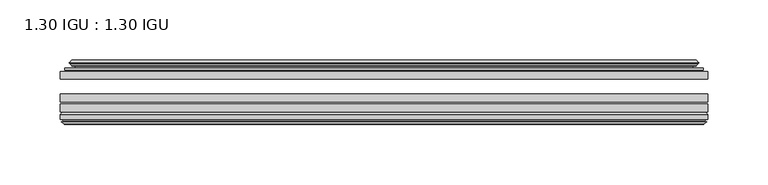
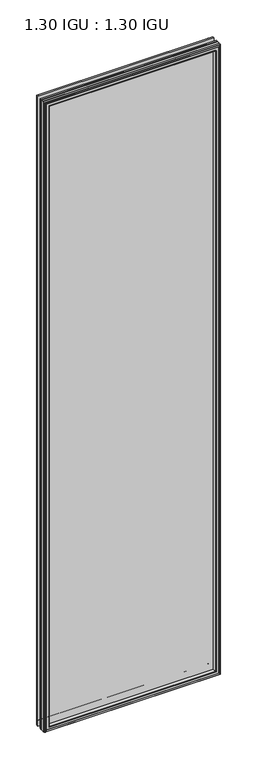
"""IFC4 building model written with IfcOpenShell, lengths in millimetres: plate geometry, 1.30 IGU : 1.30 IGU."""

import ifcopenshell
import ifcopenshell.guid

model = None  # the IFC model being written
_history = None  # IfcOwnerHistory: only IFC2X3 demands one
_inside = {}  # id of a spatial element -> (the spatial element, [elements in it])
_under = {}  # id of a project, library or spatial element -> (it, [spatial elements below it])
_declared = {}  # id of a project -> (the project, [libraries it declares])
_typed = {}  # id of a type object -> (the type object, [elements of that type])
_made_of = {}  # id of a material, layer set ... -> (it, [elements and type objects made of it])


def new_model(schema):
    """Start an empty IFC model of exactly this schema.

    Asked for "IFC4X3", IfcOpenShell would pick the latest addendum, in which some entities
    have other attributes; the version numbers below select the first issue.
    IFC2X3 requires an IfcOwnerHistory on every rooted entity: one is made here for all.
    """
    global model, _history
    if schema == "IFC4X3":
        model = ifcopenshell.file(schema_version=(4, 3, 0, 0))
    else:
        model = ifcopenshell.file(schema=schema)
    _inside.clear()
    _under.clear()
    _declared.clear()
    _typed.clear()
    _made_of.clear()
    _history = None
    if model.schema == "IFC2X3":
        org = make("IfcOrganization", Name="unknown")
        user = make(
            "IfcPersonAndOrganization",
            ThePerson=make("IfcPerson", FamilyName="unknown"),
            TheOrganization=org,
        )
        app = make(
            "IfcApplication",
            ApplicationDeveloper=org,
            Version="unknown",
            ApplicationFullName="unknown",
            ApplicationIdentifier="unknown",
        )
        _history = make(
            "IfcOwnerHistory",
            OwningUser=user,
            OwningApplication=app,
            ChangeAction="ADDED",
            CreationDate=0,
        )
    return model


def make(cls, **values):
    """One entity of the class cls with the attributes given. An attribute that is None is left unset."""
    return model.create_entity(
        cls, **{name: value for name, value in values.items() if value is not None}
    )


def rooted(cls, **values):
    """An entity with a GlobalId (a new one), such as an element, a storey or a relation."""
    return make(cls, GlobalId=ifcopenshell.guid.new(), OwnerHistory=_history, **values)


def si_unit(unit_type, name, prefix=None):
    """IfcSIUnit, for example si_unit("LENGTHUNIT", "METRE", prefix="MILLI")."""
    return make("IfcSIUnit", UnitType=unit_type, Prefix=prefix, Name=name)


def assignment(units):
    """IfcUnitAssignment: the units of a project."""
    return None if units is None else make("IfcUnitAssignment", Units=units)


def point(xyz):
    """IfcCartesianPoint."""
    return None if xyz is None else make("IfcCartesianPoint", Coordinates=xyz)


def direction(xyz):
    """IfcDirection."""
    return None if xyz is None else make("IfcDirection", DirectionRatios=xyz)


def frame(location, z_axis=None, x_axis=None):
    """IfcAxis2Placement3D, a coordinate frame: its origin and axes. An axis left out is left unset."""
    return make(
        "IfcAxis2Placement3D",
        Location=point(location),
        Axis=direction(z_axis),
        RefDirection=direction(x_axis),
    )


def origin():
    """The frame at (0, 0, 0) with its axes left unset."""
    return frame((0.0, 0.0, 0.0))


def place(relative_to, where):
    """IfcLocalPlacement: puts the frame where relative to a parent placement (None: the world)."""
    return make(
        "IfcLocalPlacement", PlacementRelTo=relative_to, RelativePlacement=where
    )


def context(
    kind, dimensions, precision=None, world=None, true_north=None, identifier=None
):
    """IfcGeometricRepresentationContext, for example the 3D "Model" context."""
    return make(
        "IfcGeometricRepresentationContext",
        ContextIdentifier=identifier,
        ContextType=kind,
        CoordinateSpaceDimension=dimensions,
        Precision=precision,
        WorldCoordinateSystem=world,
        TrueNorth=true_north,
    )


def project(units=None, contexts=None):
    """IfcProject with its units and contexts."""
    return rooted(
        "IfcProject",
        Name="project",
        RepresentationContexts=contexts,
        UnitsInContext=assignment(units),
    )


def spatial(cls, under=None, at=None, **own):
    """A site, building, storey or space (cls), placed at a placement, below another one or the project."""
    s = rooted(cls, ObjectPlacement=at, **own)
    if under is not None:
        _under.setdefault(under.id(), (under, []))[1].append(s)
    return s


def polyline(points):
    """IfcPolyline through the points."""
    return make("IfcPolyline", Points=[point(p) for p in points])


def ellipse_curve(where, semi_axis1, semi_axis2):
    """IfcEllipse in the frame where."""
    return make(
        "IfcEllipse", Position=where, SemiAxis1=semi_axis1, SemiAxis2=semi_axis2
    )


def outline(outer, holes=None, kind="AREA"):
    """IfcArbitraryClosedProfileDef: a profile drawn as a closed curve; with holes, ...WithVoids."""
    if holes is None:
        return make("IfcArbitraryClosedProfileDef", ProfileType=kind, OuterCurve=outer)
    return make(
        "IfcArbitraryProfileDefWithVoids",
        ProfileType=kind,
        OuterCurve=outer,
        InnerCurves=holes,
    )


def extrude(swept, where, along, depth):
    """IfcExtrudedAreaSolid: the profile swept, set in the frame where, extruded along a direction by depth."""
    return make(
        "IfcExtrudedAreaSolid",
        SweptArea=swept,
        Position=where,
        ExtrudedDirection=direction(along),
        Depth=depth,
    )


def faces_of(points, faces, orient=None, outer=None):
    """IfcFace entities. A face is a list of loops; a loop is a list of indices into points, from 0.

    orient and outer hold one flag for each loop. By default every Orientation is true, the
    first loop of a face is its IfcFaceOuterBound and the others are IfcFaceBound.
    """
    made = []
    for i, loops in enumerate(faces):
        bounds = []
        for j, loop in enumerate(loops):
            is_outer = j == 0 if outer is None else outer[i][j]
            bounds.append(
                make(
                    "IfcFaceOuterBound" if is_outer else "IfcFaceBound",
                    Bound=make("IfcPolyLoop", Polygon=[points[k] for k in loop]),
                    Orientation=True if orient is None else orient[i][j],
                )
            )
        made.append(make("IfcFace", Bounds=bounds))
    return made


def faceted_brep(points, faces, orient=None, outer=None, voids=None):
    """IfcFacetedBrep: a solid bounded by flat faces; with voids (closed shells), ...WithVoids."""
    shared = [point(p) for p in points]
    hull = make("IfcClosedShell", CfsFaces=faces_of(shared, faces, orient, outer))
    if voids is None:
        return make("IfcFacetedBrep", Outer=hull)
    return make(
        "IfcFacetedBrepWithVoids",
        Outer=hull,
        Voids=[
            make(cls, CfsFaces=faces_of(shared, fs, o, b)) for cls, fs, o, b in voids
        ],
    )


def shape(context_of_items, identifier, shape_type, items):
    """IfcShapeRepresentation: the items that make up one representation, for example the "Body"."""
    return make(
        "IfcShapeRepresentation",
        ContextOfItems=context_of_items,
        RepresentationIdentifier=identifier,
        RepresentationType=shape_type,
        Items=items,
    )


def source(mapping_origin, context_of_items, identifier, shape_type, items):
    """IfcRepresentationMap: a shape defined once, which mapped items show again and again."""
    return make(
        "IfcRepresentationMap",
        MappingOrigin=mapping_origin,
        MappedRepresentation=shape(context_of_items, identifier, shape_type, items),
    )


def transform(
    local_origin,
    x_axis=None,
    y_axis=None,
    z_axis=None,
    scale=None,
    scale2=None,
    scale3=None,
    uniform=True,
):
    """IfcCartesianTransformationOperator3D, or its non-uniform kind. x_axis, y_axis, z_axis: its Axis1, 2, 3."""
    if uniform:
        return make(
            "IfcCartesianTransformationOperator3D",
            Axis1=direction(x_axis),
            Axis2=direction(y_axis),
            LocalOrigin=point(local_origin),
            Scale=scale,
            Axis3=direction(z_axis),
        )
    return make(
        "IfcCartesianTransformationOperator3DnonUniform",
        Axis1=direction(x_axis),
        Axis2=direction(y_axis),
        LocalOrigin=point(local_origin),
        Scale=scale,
        Axis3=direction(z_axis),
        Scale2=scale2,
        Scale3=scale3,
    )


def mapped(mapping_source, mapping_target):
    """IfcMappedItem: shows the shape of a source again, moved by a transform."""
    return make(
        "IfcMappedItem", MappingSource=mapping_source, MappingTarget=mapping_target
    )


def made_of(thing, what):
    """Note that an element or type object is made of a material, layer set ...; save() writes the relation."""
    if what is not None:
        _made_of.setdefault(what.id(), (what, []))[1].append(thing)
    return thing


def element(
    cls,
    number,
    at=None,
    inside=None,
    cuts=None,
    type_object=None,
    material=None,
    context=None,
    identifier="Body",
    shape_type=None,
    held_by="IfcProductDefinitionShape",
    body=None,
    shapes=None,
    **own,
):
    """One element of the class cls, such as IfcWall. Its Tag is "e" and its number.

    at: its placement. inside: the storey or other place that contains it. cuts: it is an
    opening in that element (IfcRelVoidsElement). A single representation is given by context,
    identifier, shape_type and body (its items); several are given by shapes. held_by: the class
    of the entity that holds the representations. save() writes the other relations.
    """
    e = rooted(cls, Tag="e%d" % number, ObjectPlacement=at, **own)
    if body is not None:
        shapes = [shape(context, identifier, shape_type, body)]
    if shapes is not None:
        e.Representation = make(held_by, Representations=shapes)
    if inside is not None:
        _inside.setdefault(inside.id(), (inside, []))[1].append(e)
    if cuts is not None:
        rooted(
            "IfcRelVoidsElement", RelatingBuildingElement=cuts, RelatedOpeningElement=e
        )
    if type_object is not None:
        _typed.setdefault(type_object.id(), (type_object, []))[1].append(e)
    return made_of(e, material)


def aggregate(whole, parts):
    """IfcRelAggregates: a whole, such as a stair, and the parts it consists of."""
    return rooted("IfcRelAggregates", RelatingObject=whole, RelatedObjects=parts)


def save(model, path):
    """Write the relations noted so far, then the file.

    IfcRelAggregates (storeys below a building ...), IfcRelContainedInSpatialStructure (elements
    in a storey), IfcRelDefinesByType, IfcRelAssociatesMaterial and IfcRelDeclares: one each for
    every whole, place, type object, material and project.
    """
    for whole, parts in _under.values():
        aggregate(whole, parts)
    for where, things in _inside.values():
        rooted(
            "IfcRelContainedInSpatialStructure",
            RelatedElements=things,
            RelatingStructure=where,
        )
    for kind, things in _typed.values():
        rooted("IfcRelDefinesByType", RelatedObjects=things, RelatingType=kind)
    for what, things in _made_of.values():
        rooted("IfcRelAssociatesMaterial", RelatedObjects=things, RelatingMaterial=what)
    for by, libraries in _declared.values():
        rooted("IfcRelDeclares", RelatingContext=by, RelatedDefinitions=libraries)
    model.write(path)


def plane_surface(at):
    """IfcPlane: the flat surface through the origin of the frame at, square to its z axis."""
    return make("IfcPlane", Position=at)


def cylinder_surface(at, radius):
    """IfcCylindricalSurface: all points at the distance radius from the z axis of the frame at."""
    return make("IfcCylindricalSurface", Position=at, Radius=radius)


def revolved_surface(curve, axis_point, axis_direction):
    """IfcSurfaceOfRevolution: the curve turned about the line through axis_point along axis_direction."""
    return make(
        "IfcSurfaceOfRevolution",
        SweptCurve=make("IfcArbitraryOpenProfileDef", ProfileType="CURVE", Curve=curve),
        AxisPosition=make("IfcAxis1Placement", Location=point(axis_point), Axis=direction(axis_direction)),
    )


def advanced_brep(points, edges, surfaces, faces):
    """IfcAdvancedBrep: a solid bounded by faces that lie on surfaces and meet in shared edges.

    An edge is (start, end): straight between two places in points (the first is 0);
    or (start, end, curve); or (start, end, curve, False) where it runs against its curve.
    A face is (place in surfaces, loops), or (place, loops, False) where it looks against
    its surface's normal. A loop lists edges by number (the first is 1), with a minus sign
    where the edge is run from its end to its start. The first loop is the outer one.
    """
    corners = [point(p) for p in points]
    vertices = [make("IfcVertexPoint", VertexGeometry=c) for c in corners]
    made = []
    for start, end, *more in edges:
        made.append(
            make(
                "IfcEdgeCurve",
                EdgeStart=vertices[start],
                EdgeEnd=vertices[end],
                EdgeGeometry=more[0] if more else make("IfcPolyline", Points=[corners[start], corners[end]]),
                SameSense=more[1] if len(more) > 1 else True,
            )
        )
    hull = []
    for where, loops, *sense in faces:
        bounds = []
        for j, loop in enumerate(loops):
            ring = [make("IfcOrientedEdge", EdgeElement=made[abs(k) - 1], Orientation=k > 0) for k in loop]
            bounds.append(
                make(
                    "IfcFaceOuterBound" if j == 0 else "IfcFaceBound",
                    Bound=make("IfcEdgeLoop", EdgeList=ring),
                    Orientation=True,
                )
            )
        hull.append(make("IfcAdvancedFace", Bounds=bounds, FaceSurface=surfaces[where], SameSense=sense[0] if sense else True))
    return make("IfcAdvancedBrep", Outer=make("IfcClosedShell", CfsFaces=hull))


def plate_1_30_igu_1_30_igu_0a05ff99(model_context):
    return source(origin(), model_context, "Body", "SolidModel", [
        extrude(outline(polyline([(268.2205532, -44.92625), (268.2205532, -51.27625), (-268.2875, -51.27625), (-268.2875, -44.92625), (268.2205532, -44.92625)])), frame((0.0, 0.0, -14.2875), z_axis=(0.0, 0.0, 1.0), x_axis=(1.0, 0.0, 0.0)), (0.0, 0.0, 1.0), 2025.65),
        extrude(outline(polyline([(-268.2875, -78.58125), (-268.2875, -72.23125), (268.2205532, -72.23125), (268.2205532, -78.58125), (-268.2875, -78.58125)])), frame((0.0, 0.0, -14.2875), z_axis=(0.0, 0.0, 1.0), x_axis=(1.0, 0.0, 0.0)), (0.0, 0.0, 1.0), 2025.65),
        extrude(outline(polyline([(-268.2875, -70.32625), (-268.2875, -63.97625), (268.2205532, -63.97625), (268.2205532, -70.32625), (-268.2875, -70.32625)])), frame((0.0, 0.0, -14.2875), z_axis=(0.0, 0.0, 1.0), x_axis=(1.0, 0.0, 0.0)), (0.0, 0.0, 1.0), 2025.65),
        advanced_brep(
        [(-249.9522902, -43.8351483, 1993.0272902), (-250.3941004, -44.92625, 1993.4691004), (-250.3941004, -44.92625, 3.6058996), (-249.9522902, -43.8351483, 4.0477098), (-254.0, -36.11245, 1997.075), (-254.0, -36.11245, 0.0), (-259.1859109, -37.2935491, 2002.2609109), (-259.1859109, -37.2935491, -5.1859109), (-258.8563356, -36.4664324, 2001.9313356), (-258.8563356, -36.4664324, -4.8563356), (-258.8563356, -35.6521812, 2001.9313356), (-258.8563356, -35.6521812, -4.8563356), (-260.6726111, -37.610817, 2003.7476111), (-260.6726111, -37.610817, -6.6726111), (-260.6726111, -38.3239429, 2003.7476111), (-260.6726111, -38.3239429, -6.6726111), (-258.8563356, -40.2727974, 2001.9313356), (-258.8563356, -40.2727974, -4.8563356), (-258.8563356, -39.4683275, 2001.9313356), (-258.8563356, -39.4683275, -4.8563356), (-259.1782501, -38.6604367, 2002.2532501), (-259.1782501, -38.6604367, -5.1782501), (-256.6544379, -38.502045, 1999.7294379), (-256.6544379, -38.502045, -2.6544379), (-255.6286217, -39.1897544, 1998.7036217), (-255.6286217, -39.1897544, -1.6286217), (-255.7470288, -40.5842231, 1998.8220288), (-255.7470288, -40.5842231, -1.7470288), (-256.3487748, -42.08145, 1999.4237748), (-256.3487748, -42.08145, -2.3487748), (-264.2745553, -43.9898729, 2007.3495553), (-263.7889245, -42.08145, 2006.8639245), (-263.7889245, -42.08145, -9.7889245), (-264.2745553, -43.9898729, -10.2745553), (-262.5538155, -44.92625, 2005.6288155), (-262.5538155, -44.92625, -8.5538155), (250.3941004, -44.92625, 3.6058996), (249.9522902, -43.8351483, 4.0477098), (254.0, -36.11245, 0.0), (259.1859109, -37.2935491, -5.1859109), (258.8563356, -36.4664324, -4.8563356), (258.8563356, -35.6521812, -4.8563356), (260.6726111, -37.610817, -6.6726111), (260.6726111, -38.3239429, -6.6726111), (258.8563356, -40.2727974, -4.8563356), (258.8563356, -39.4683275, -4.8563356), (259.1782501, -38.6604367, -5.1782501), (256.6544379, -38.502045, -2.6544379), (255.6286217, -39.1897544, -1.6286217), (255.7470288, -40.5842231, -1.7470288), (256.3487748, -42.08145, -2.3487748), (263.7889245, -42.08145, -9.7889245), (264.2745553, -43.9898729, -10.2745553), (262.5538155, -44.92625, -8.5538155), (250.3941004, -44.92625, 1993.4691004), (249.9522902, -43.8351483, 1993.0272902), (254.0, -36.11245, 1997.075), (259.1859109, -37.2935491, 2002.2609109), (258.8563356, -36.4664324, 2001.9313356), (258.8563356, -35.6521812, 2001.9313356), (260.6726111, -37.610817, 2003.7476111), (260.6726111, -38.3239429, 2003.7476111), (258.8563356, -40.2727974, 2001.9313356), (258.8563356, -39.4683275, 2001.9313356), (259.1782501, -38.6604367, 2002.2532501), (256.6544379, -38.502045, 1999.7294379), (255.6286217, -39.1897544, 1998.7036217), (255.7470288, -40.5842231, 1998.8220288), (256.3487748, -42.08145, 1999.4237748), (263.7889245, -42.08145, 2006.8639245), (264.2745553, -43.9898729, 2007.3495553), (262.5538155, -44.92625, 2005.6288155)],
        [
            (0, 1, ellipse_curve(frame((-250.3941004, -44.29125, 1993.4691004), z_axis=(-0.7071067811865475, 0.0, -0.7071067811865475), x_axis=(-0.7071067811865474, 0.0, 0.7071067811865476)), 0.8980256, 0.635)),
            (1, 2),
            (2, 3, ellipse_curve(frame((-250.3941004, -44.29125, 3.6058996), z_axis=(-0.7071067811865475, 0.0, 0.7071067811865475), x_axis=(0.7071067811865474, 0.0, 0.7071067811865476)), 0.8980256, 0.635)),
            (3, 0),
            (4, 0, ellipse_curve(frame((-240.2672054, -33.8367745, 1983.3422054), z_axis=(0.7071067811865475, 0.0, 0.7071067811865475), x_axis=(0.7071067811865474, 0.0, -0.7071067811865476)), 19.6859517, 13.9200699)),
            (3, 5, ellipse_curve(frame((-240.2672054, -33.8367745, 13.7327946), z_axis=(0.7071067811865475, 0.0, -0.7071067811865475), x_axis=(-0.7071067811865474, 0.0, -0.7071067811865476)), 19.6859517, 13.9200699)),
            (5, 4),
            (6, 4),
            (5, 7),
            (7, 6),
            (8, 6),
            (7, 9),
            (9, 8),
            (10, 8),
            (9, 11),
            (11, 10),
            (12, 10),
            (11, 13),
            (13, 12),
            (14, 12, ellipse_curve(frame((-260.3107729, -37.96738, 2003.3857729), z_axis=(-0.7071067811865475, 0.0, -0.7071067811865475), x_axis=(-0.7071067811865474, 0.0, 0.7071067811865476)), 0.7184205, 0.508)),
            (13, 15, ellipse_curve(frame((-260.3107729, -37.96738, -6.3107729), z_axis=(-0.7071067811865475, 0.0, 0.7071067811865475), x_axis=(0.7071067811865474, 0.0, 0.7071067811865476)), 0.7184205, 0.508)),
            (15, 14),
            (16, 14),
            (15, 17),
            (17, 16),
            (18, 16),
            (17, 19),
            (19, 18),
            (20, 18),
            (19, 21),
            (21, 20),
            (22, 20),
            (21, 23),
            (23, 22),
            (24, 22, ellipse_curve(frame((-256.5908, -39.51605, 1999.6658), z_axis=(0.7071067811865475, 0.0, 0.7071067811865475), x_axis=(0.7071067811865474, 0.0, -0.7071067811865476)), 1.436841, 1.016)),
            (23, 25, ellipse_curve(frame((-256.5908, -39.51605, -2.5908), z_axis=(0.7071067811865475, 0.0, -0.7071067811865475), x_axis=(-0.7071067811865474, 0.0, -0.7071067811865476)), 1.436841, 1.016)),
            (25, 24),
            (26, 24, ellipse_curve(frame((-257.9624, -39.69385, 2001.0374), z_axis=(0.7071067811865475, 0.0, 0.7071067811865475), x_axis=(0.7071067811865474, 0.0, -0.7071067811865476)), 3.3765763, 2.3876)),
            (25, 27, ellipse_curve(frame((-257.9624, -39.69385, -3.9624), z_axis=(0.7071067811865475, 0.0, -0.7071067811865475), x_axis=(-0.7071067811865474, 0.0, -0.7071067811865476)), 3.3765763, 2.3876)),
            (27, 26),
            (28, 26),
            (27, 29),
            (29, 28),
            (30, 31, ellipse_curve(frame((-263.7889245, -43.09745, 2006.8639245), z_axis=(-0.7071067811865475, 0.0, -0.7071067811865475), x_axis=(-0.7071067811865474, 0.0, 0.7071067811865476)), 1.436841, 1.016)),
            (31, 32),
            (32, 33, ellipse_curve(frame((-263.7889245, -43.09745, -9.7889245), z_axis=(-0.7071067811865475, 0.0, 0.7071067811865475), x_axis=(0.7071067811865474, 0.0, 0.7071067811865476)), 1.436841, 1.016)),
            (33, 30),
            (34, 30),
            (33, 35),
            (35, 34),
            (2, 36),
            (36, 37, ellipse_curve(frame((250.3941004, -44.29125, 3.6058996), z_axis=(-0.7071067811865475, 0.0, -0.7071067811865475), x_axis=(-0.7071067811865476, 0.0, 0.7071067811865474)), 0.8980256, 0.635)),
            (37, 3),
            (37, 38, ellipse_curve(frame((240.2672054, -33.8367745, 13.7327946), z_axis=(0.7071067811865475, 0.0, 0.7071067811865475), x_axis=(0.7071067811865476, 0.0, -0.7071067811865474)), 19.6859517, 13.9200699)),
            (38, 5),
            (38, 39),
            (39, 7),
            (39, 40),
            (40, 9),
            (40, 41),
            (41, 11),
            (41, 42),
            (42, 13),
            (42, 43, ellipse_curve(frame((260.3107729, -37.96738, -6.3107729), z_axis=(-0.7071067811865475, 0.0, -0.7071067811865475), x_axis=(-0.7071067811865476, 0.0, 0.7071067811865474)), 0.7184205, 0.508)),
            (43, 15),
            (43, 44),
            (44, 17),
            (44, 45),
            (45, 19),
            (45, 46),
            (46, 21),
            (46, 47),
            (47, 23),
            (47, 48, ellipse_curve(frame((256.5908, -39.51605, -2.5908), z_axis=(0.7071067811865475, 0.0, 0.7071067811865475), x_axis=(0.7071067811865476, 0.0, -0.7071067811865474)), 1.436841, 1.016)),
            (48, 25),
            (48, 49, ellipse_curve(frame((257.9624, -39.69385, -3.9624), z_axis=(0.7071067811865475, 0.0, 0.7071067811865475), x_axis=(0.7071067811865476, 0.0, -0.7071067811865474)), 3.3765763, 2.3876)),
            (49, 27),
            (49, 50),
            (50, 29),
            (32, 51),
            (51, 52, ellipse_curve(frame((263.7889245, -43.09745, -9.7889245), z_axis=(-0.7071067811865475, 0.0, -0.7071067811865475), x_axis=(-0.7071067811865476, 0.0, 0.7071067811865474)), 1.436841, 1.016)),
            (52, 33),
            (52, 53),
            (53, 35),
            (36, 54),
            (54, 55, ellipse_curve(frame((250.3941004, -44.29125, 1993.4691004), z_axis=(0.7071067811865475, 0.0, -0.7071067811865475), x_axis=(-0.7071067811865474, 0.0, -0.7071067811865476)), 0.8980256, 0.635)),
            (55, 37),
            (55, 56, ellipse_curve(frame((240.2672054, -33.8367745, 1983.3422054), z_axis=(-0.7071067811865475, 0.0, 0.7071067811865475), x_axis=(0.7071067811865474, 0.0, 0.7071067811865476)), 19.6859517, 13.9200699)),
            (56, 38),
            (56, 57),
            (57, 39),
            (57, 58),
            (58, 40),
            (58, 59),
            (59, 41),
            (59, 60),
            (60, 42),
            (60, 61, ellipse_curve(frame((260.3107729, -37.96738, 2003.3857729), z_axis=(0.7071067811865475, 0.0, -0.7071067811865475), x_axis=(-0.7071067811865474, 0.0, -0.7071067811865476)), 0.7184205, 0.508)),
            (61, 43),
            (61, 62),
            (62, 44),
            (62, 63),
            (63, 45),
            (63, 64),
            (64, 46),
            (64, 65),
            (65, 47),
            (65, 66, ellipse_curve(frame((256.5908, -39.51605, 1999.6658), z_axis=(-0.7071067811865475, 0.0, 0.7071067811865475), x_axis=(0.7071067811865474, 0.0, 0.7071067811865476)), 1.436841, 1.016)),
            (66, 48),
            (66, 67, ellipse_curve(frame((257.9624, -39.69385, 2001.0374), z_axis=(-0.7071067811865475, 0.0, 0.7071067811865475), x_axis=(0.7071067811865474, 0.0, 0.7071067811865476)), 3.3765763, 2.3876)),
            (67, 49),
            (67, 68),
            (68, 50),
            (51, 69),
            (69, 70, ellipse_curve(frame((263.7889245, -43.09745, 2006.8639245), z_axis=(0.7071067811865475, 0.0, -0.7071067811865475), x_axis=(-0.7071067811865474, 0.0, -0.7071067811865476)), 1.436841, 1.016)),
            (70, 52),
            (70, 71),
            (71, 53),
            (54, 1),
            (0, 55),
            (4, 56),
            (6, 57),
            (8, 58),
            (10, 59),
            (12, 60),
            (14, 61),
            (16, 62),
            (18, 63),
            (20, 64),
            (22, 65),
            (24, 66),
            (26, 67),
            (28, 68),
            (31, 69),
            (30, 70),
            (34, 71),
        ],
        [
            cylinder_surface(frame((-250.3941004, -44.29125, 2028.825), z_axis=(0.0, 0.0, 1.0), x_axis=(-1.0, 0.0, 0.0)), 0.635),
            revolved_surface(polyline([(-254.18727529999998, -33.8367745, -0.18727534118079348), (-254.18727529999998, -33.8367745, 1997.2622753411808)]), (-240.2672054, -33.8367745, 2028.825), (0.0, 0.0, -1.0)),
            plane_surface(frame((-254.0, -36.11245, 1997.075), z_axis=(-0.22206498442778655, 0.975031867525922, 0.0), x_axis=(0.0, 0.0, -1.0))),
            plane_surface(frame((-259.1859109, -37.2935491, 2002.2609109), z_axis=(0.9289682685629922, -0.3701593656833182, 0.0), x_axis=(0.0, 0.0, -1.0))),
            plane_surface(frame((-258.8563356, -36.4664324, 2001.9313356), z_axis=(1.0, 0.0, 0.0), x_axis=(0.0, 0.0, -1.0))),
            plane_surface(frame((-258.8563356, -35.6521812, 2001.9313356), z_axis=(-0.7332521292723956, 0.6799568478348448, 0.0), x_axis=(0.0, 0.0, -1.0))),
            cylinder_surface(frame((-260.3107729, -37.96738, 2028.825), z_axis=(0.0, 0.0, 1.0), x_axis=(-1.0, 0.0, 0.0)), 0.508),
            plane_surface(frame((-260.6726111, -38.3239429, 2003.7476111), z_axis=(-0.7315522693036389, -0.6817853601220082, 0.0), x_axis=(0.0, 0.0, -1.0))),
            plane_surface(frame((-258.8563356, -40.2727974, 2001.9313356), z_axis=(1.0, 0.0, 0.0), x_axis=(0.0, 0.0, -1.0))),
            plane_surface(frame((-258.8563356, -39.4683275, 2001.9313356), z_axis=(0.9289682685631103, 0.37015936568302166, 0.0), x_axis=(0.0, 0.0, -1.0))),
            plane_surface(frame((-259.1782501, -38.6604367, 2002.2532501), z_axis=(0.06263570119321643, -0.9980364567169048, 0.0), x_axis=(0.0, 0.0, -1.0))),
            revolved_surface(polyline([(-257.6068, -39.51605, -3.6068000145867245), (-257.6068, -39.51605, 2000.6818000145868)]), (-256.5908, -39.51605, 2028.825), (0.0, 0.0, -1.0)),
            revolved_surface(polyline([(-260.35, -39.69385, -6.3499999989237494), (-260.35, -39.69385, 2003.4249999989238)]), (-257.9624, -39.69385, 2028.825), (0.0, 0.0, -1.0)),
            plane_surface(frame((-255.7470288, -40.5842231, 1998.8220288), z_axis=(-0.9278652925428912, 0.372915538553028, 0.0), x_axis=(0.0, 0.0, -1.0))),
            cylinder_surface(frame((-263.7889245, -43.09745, 2028.825), z_axis=(0.0, 0.0, 1.0), x_axis=(-1.0, 0.0, 0.0)), 1.016),
            plane_surface(frame((-264.2745553, -43.9898729, 2007.3495553), z_axis=(-0.477983117370979, -0.8783690223979446, 0.0), x_axis=(0.0, 0.0, -1.0))),
            cylinder_surface(frame((-285.75, -44.29125, 3.6058996), z_axis=(-1.0, 0.0, 0.0), x_axis=(0.0, 0.0, -1.0)), 0.635),
            revolved_surface(polyline([(254.1872753411808, -33.8367745, -0.1872752999999996), (-254.18727534118085, -33.8367745, -0.1872752999999996)]), (-285.75, -33.8367745, 13.7327946), (1.0, 0.0, 0.0)),
            plane_surface(frame((-254.0, -36.11245, 0.0), z_axis=(0.0, 0.9750318675259212, -0.2220649844277897), x_axis=(1.0, 0.0, 0.0))),
            plane_surface(frame((-259.1859109, -37.2935491, -5.1859109), z_axis=(0.0, -0.3701593656833152, 0.9289682685629934), x_axis=(1.0, 0.0, 0.0))),
            plane_surface(frame((-258.8563356, -36.4664324, -4.8563356), z_axis=(0.0, 0.0, 1.0), x_axis=(1.0, 0.0, 0.0))),
            plane_surface(frame((-258.8563356, -35.6521812, -4.8563356), z_axis=(0.0, 0.6799568478348423, -0.7332521292723978), x_axis=(1.0, 0.0, 0.0))),
            cylinder_surface(frame((-285.75, -37.96738, -6.3107729), z_axis=(-1.0, 0.0, 0.0), x_axis=(0.0, 0.0, -1.0)), 0.508),
            plane_surface(frame((-260.6726111, -38.3239429, -6.6726111), z_axis=(0.0, -0.6817853601220105, -0.7315522693036367), x_axis=(1.0, 0.0, 0.0))),
            plane_surface(frame((-258.8563356, -40.2727974, -4.8563356), z_axis=(0.0, 0.0, 1.0), x_axis=(1.0, 0.0, 0.0))),
            plane_surface(frame((-258.8563356, -39.4683275, -4.8563356), z_axis=(0.0, 0.37015936568302465, 0.9289682685631091), x_axis=(1.0, 0.0, 0.0))),
            plane_surface(frame((-259.1782501, -38.6604367, -5.1782501), z_axis=(0.0, -0.9980364567169046, 0.06263570119321968), x_axis=(1.0, 0.0, 0.0))),
            revolved_surface(polyline([(257.60680001458684, -39.51605, -3.6068000000000002), (-257.60680001458684, -39.51605, -3.6068000000000002)]), (-285.75, -39.51605, -2.5908), (1.0, 0.0, 0.0)),
            revolved_surface(polyline([(260.34999999892375, -39.69385, -6.35), (-260.3499999989238, -39.69385, -6.35)]), (-285.75, -39.69385, -3.9624), (1.0, 0.0, 0.0)),
            plane_surface(frame((-255.7470288, -40.5842231, -1.7470288), z_axis=(0.0, 0.372915538553025, -0.9278652925428924), x_axis=(1.0, 0.0, 0.0))),
            cylinder_surface(frame((-285.75, -43.09745, -9.7889245), z_axis=(-1.0, 0.0, 0.0), x_axis=(0.0, 0.0, -1.0)), 1.016),
            plane_surface(frame((-264.2745553, -43.9898729, -10.2745553), z_axis=(0.0, -0.8783690223979462, -0.47798311737097615), x_axis=(1.0, 0.0, 0.0))),
            cylinder_surface(frame((250.3941004, -44.29125, -31.75), z_axis=(0.0, 0.0, -1.0), x_axis=(1.0, 0.0, 0.0)), 0.635),
            revolved_surface(polyline([(254.18727529999998, -33.8367745, 1997.2622753411808), (254.18727529999998, -33.8367745, -0.1872753411808432)]), (240.2672054, -33.8367745, -31.75), (0.0, 0.0, 1.0)),
            plane_surface(frame((254.0, -36.11245, 0.0), z_axis=(0.2220649844277929, 0.9750318675259205, 0.0), x_axis=(0.0, 0.0, 1.0))),
            plane_surface(frame((259.1859109, -37.2935491, -5.1859109), z_axis=(-0.9289682685629946, -0.3701593656833122, 0.0), x_axis=(0.0, 0.0, 1.0))),
            plane_surface(frame((258.8563356, -36.4664324, -4.8563356), z_axis=(-1.0, 0.0, 0.0), x_axis=(0.0, 0.0, 1.0))),
            plane_surface(frame((258.8563356, -35.6521812, -4.8563356), z_axis=(0.7332521292724, 0.6799568478348399, 0.0), x_axis=(0.0, 0.0, 1.0))),
            cylinder_surface(frame((260.3107729, -37.96738, -31.75), z_axis=(0.0, 0.0, -1.0), x_axis=(1.0, 0.0, 0.0)), 0.508),
            plane_surface(frame((260.6726111, -38.3239429, -6.6726111), z_axis=(0.7315522693036345, -0.6817853601220129, 0.0), x_axis=(0.0, 0.0, 1.0))),
            plane_surface(frame((258.8563356, -40.2727974, -4.8563356), z_axis=(-1.0, 0.0, 0.0), x_axis=(0.0, 0.0, 1.0))),
            plane_surface(frame((258.8563356, -39.4683275, -4.8563356), z_axis=(-0.928968268563108, 0.3701593656830277, 0.0), x_axis=(0.0, 0.0, 1.0))),
            plane_surface(frame((259.1782501, -38.6604367, -5.1782501), z_axis=(-0.06263570119322293, -0.9980364567169043, 0.0), x_axis=(0.0, 0.0, 1.0))),
            revolved_surface(polyline([(257.6068, -39.51605, 2000.6818000145868), (257.6068, -39.51605, -3.606800014586863)]), (256.5908, -39.51605, -31.75), (0.0, 0.0, 1.0)),
            revolved_surface(polyline([(260.35, -39.69385, 2003.4249999989238), (260.35, -39.69385, -6.349999998923781)]), (257.9624, -39.69385, -31.75), (0.0, 0.0, 1.0)),
            plane_surface(frame((255.7470288, -40.5842231, -1.7470288), z_axis=(0.9278652925428936, 0.372915538553022, 0.0), x_axis=(0.0, 0.0, 1.0))),
            cylinder_surface(frame((263.7889245, -43.09745, -31.75), z_axis=(0.0, 0.0, -1.0), x_axis=(1.0, 0.0, 0.0)), 1.016),
            plane_surface(frame((264.2745553, -43.9898729, -10.2745553), z_axis=(0.47798311737097327, -0.8783690223979478, 0.0), x_axis=(0.0, 0.0, 1.0))),
            cylinder_surface(frame((285.75, -44.29125, 1993.4691004), z_axis=(1.0, 0.0, 0.0), x_axis=(0.0, 0.0, 1.0)), 0.635),
            revolved_surface(polyline([(-254.1872753411808, -33.8367745, 1997.2622753), (254.18727534118085, -33.8367745, 1997.2622753)]), (285.75, -33.8367745, 1983.3422054), (-1.0, 0.0, 0.0)),
            plane_surface(frame((254.0, -36.11245, 1997.075), z_axis=(0.0, 0.9750318675259213, 0.22206498442778974), x_axis=(-1.0, 0.0, 0.0))),
            plane_surface(frame((259.1859109, -37.2935491, 2002.2609109), z_axis=(0.0, -0.3701593656833152, -0.9289682685629934), x_axis=(-1.0, 0.0, 0.0))),
            plane_surface(frame((258.8563356, -36.4664324, 2001.9313356), z_axis=(0.0, 0.0, -1.0), x_axis=(-1.0, 0.0, 0.0))),
            plane_surface(frame((258.8563356, -35.6521812, 2001.9313356), z_axis=(0.0, 0.6799568478348423, 0.7332521292723978), x_axis=(-1.0, 0.0, 0.0))),
            cylinder_surface(frame((285.75, -37.96738, 2003.3857729), z_axis=(1.0, 0.0, 0.0), x_axis=(0.0, 0.0, 1.0)), 0.508),
            plane_surface(frame((260.6726111, -38.3239429, 2003.7476111), z_axis=(0.0, -0.6817853601220105, 0.7315522693036367), x_axis=(-1.0, 0.0, 0.0))),
            plane_surface(frame((258.8563356, -40.2727974, 2001.9313356), z_axis=(0.0, 0.0, -1.0), x_axis=(-1.0, 0.0, 0.0))),
            plane_surface(frame((258.8563356, -39.4683275, 2001.9313356), z_axis=(0.0, 0.3701593656830247, -0.9289682685631092), x_axis=(-1.0, 0.0, 0.0))),
            plane_surface(frame((259.1782501, -38.6604367, 2002.2532501), z_axis=(0.0, -0.9980364567169046, -0.06263570119321968), x_axis=(-1.0, 0.0, 0.0))),
            revolved_surface(polyline([(-257.60680001458684, -39.51605, 2000.6818), (257.60680001458684, -39.51605, 2000.6818)]), (285.75, -39.51605, 1999.6658), (-1.0, 0.0, 0.0)),
            revolved_surface(polyline([(-260.34999999892375, -39.69385, 2003.425), (260.3499999989238, -39.69385, 2003.425)]), (285.75, -39.69385, 2001.0374), (-1.0, 0.0, 0.0)),
            plane_surface(frame((255.7470288, -40.5842231, 1998.8220288), z_axis=(0.0, 0.372915538553025, 0.9278652925428924), x_axis=(-1.0, 0.0, 0.0))),
            plane_surface(frame((256.3487748, -42.08145, 1999.4237748), z_axis=(0.0, 1.0, 0.0), x_axis=(-1.0, 0.0, 0.0))),
            cylinder_surface(frame((285.75, -43.09745, 2006.8639245), z_axis=(1.0, 0.0, 0.0), x_axis=(0.0, 0.0, 1.0)), 1.016),
            plane_surface(frame((264.2745553, -43.9898729, 2007.3495553), z_axis=(0.0, -0.8783690223979462, 0.47798311737097615), x_axis=(-1.0, 0.0, 0.0))),
            plane_surface(frame((262.5538155, -44.92625, 2005.6288155), z_axis=(0.0, -1.0, 0.0), x_axis=(-1.0, 0.0, 0.0))),
        ],
        [
            (0, [[1, 2, 3, 4]]),
            (1, [[5, -4, 6, 7]]),
            (2, [[8, -7, 9, 10]]),
            (3, [[11, -10, 12, 13]]),
            (4, [[14, -13, 15, 16]]),
            (5, [[17, -16, 18, 19]]),
            (6, [[20, -19, 21, 22]]),
            (7, [[23, -22, 24, 25]]),
            (8, [[26, -25, 27, 28]]),
            (9, [[29, -28, 30, 31]]),
            (10, [[32, -31, 33, 34]]),
            (11, [[35, -34, 36, 37]]),
            (12, [[38, -37, 39, 40]]),
            (13, [[41, -40, 42, 43]]),
            (14, [[44, 45, 46, 47]]),
            (15, [[48, -47, 49, 50]]),
            (16, [[-3, 51, 52, 53]]),
            (17, [[-6, -53, 54, 55]]),
            (18, [[-9, -55, 56, 57]]),
            (19, [[-12, -57, 58, 59]]),
            (20, [[-15, -59, 60, 61]]),
            (21, [[-18, -61, 62, 63]]),
            (22, [[-21, -63, 64, 65]]),
            (23, [[-24, -65, 66, 67]]),
            (24, [[-27, -67, 68, 69]]),
            (25, [[-30, -69, 70, 71]]),
            (26, [[-33, -71, 72, 73]]),
            (27, [[-36, -73, 74, 75]]),
            (28, [[-39, -75, 76, 77]]),
            (29, [[-42, -77, 78, 79]]),
            (30, [[-46, 80, 81, 82]]),
            (31, [[-49, -82, 83, 84]]),
            (32, [[-52, 85, 86, 87]]),
            (33, [[-54, -87, 88, 89]]),
            (34, [[-56, -89, 90, 91]]),
            (35, [[-58, -91, 92, 93]]),
            (36, [[-60, -93, 94, 95]]),
            (37, [[-62, -95, 96, 97]]),
            (38, [[-64, -97, 98, 99]]),
            (39, [[-66, -99, 100, 101]]),
            (40, [[-68, -101, 102, 103]]),
            (41, [[-70, -103, 104, 105]]),
            (42, [[-72, -105, 106, 107]]),
            (43, [[-74, -107, 108, 109]]),
            (44, [[-76, -109, 110, 111]]),
            (45, [[-78, -111, 112, 113]]),
            (46, [[-81, 114, 115, 116]]),
            (47, [[-83, -116, 117, 118]]),
            (48, [[-86, 119, -1, 120]]),
            (49, [[-88, -120, -5, 121]]),
            (50, [[-90, -121, -8, 122]]),
            (51, [[-92, -122, -11, 123]]),
            (52, [[-94, -123, -14, 124]]),
            (53, [[-96, -124, -17, 125]]),
            (54, [[-98, -125, -20, 126]]),
            (55, [[-100, -126, -23, 127]]),
            (56, [[-102, -127, -26, 128]]),
            (57, [[-104, -128, -29, 129]]),
            (58, [[-106, -129, -32, 130]]),
            (59, [[-108, -130, -35, 131]]),
            (60, [[-110, -131, -38, 132]]),
            (61, [[-112, -132, -41, 133]]),
            (62, [[134, -114, -80, -45], [-79, -113, -133, -43]]),
            (63, [[-115, -134, -44, 135]]),
            (64, [[-117, -135, -48, 136]]),
            (65, [[-84, -118, -136, -50], [-119, -85, -51, -2]]),
        ],
    ),
        faceted_brep([(-250.1457827, -78.58125, 1993.2207827), (-252.7120798, -87.47125, 1995.7870798), (-252.7120798, -87.47125, 1.2879202), (-250.1457827, -78.58125, 3.8542173), (-268.3002, -80.7883102, 2011.3752), (-266.0931398, -78.58125, 2009.1681398), (-266.0931398, -78.58125, -12.0931398), (-268.3002, -80.7883102, -14.3002), (-268.3002, -84.93125, 2011.3752), (-268.3002, -84.93125, -14.3002), (-265.8811775, -86.11489, 2008.9561775), (-266.7203682, -84.93125, 2009.7953682), (-266.7203682, -84.93125, -12.7203682), (-265.8811775, -86.11489, -11.8811775), (-265.684, -87.4125884, 2008.759), (-265.684, -87.4125884, -11.684), (-266.65966, -86.8828917, 2009.73466), (-266.65966, -86.8828917, -12.65966), (-265.1252, -88.6999663, 2008.2002), (-267.4523305, -86.8828917, 2010.5273305), (-267.4523305, -86.8828917, -13.4523305), (-265.1252, -88.6999663, -11.1252), (-262.7980695, -86.8828917, 2005.8730695), (-262.7980695, -86.8828917, -8.7980695), (-264.5664, -87.4125884, 2007.6414), (-263.59074, -86.8828917, 2006.66574), (-263.59074, -86.8828917, -9.59074), (-264.5664, -87.4125884, -10.5664), (-264.3692225, -86.11489, 2007.4442225), (-264.3692225, -86.11489, -10.3692225), (-263.4996, -84.93125, 2006.5746), (-263.4996, -84.93125, -9.4996), (-254.3513667, -87.47125, 1997.4263667), (-253.8222, -84.93125, 1996.8972), (-253.8222, -84.93125, 0.1778), (-254.3513667, -87.47125, -0.3513667), (252.7120798, -87.47125, 1.2879202), (250.1457827, -78.58125, 3.8542173), (266.0931398, -78.58125, -12.0931398), (268.3002, -80.7883102, -14.3002), (268.3002, -84.93125, -14.3002), (266.7203682, -84.93125, -12.7203682), (265.8811775, -86.11489, -11.8811775), (265.684, -87.4125884, -11.684), (266.65966, -86.8828917, -12.65966), (267.4523305, -86.8828917, -13.4523305), (265.1252, -88.6999663, -11.1252), (262.7980695, -86.8828917, -8.7980695), (263.59074, -86.8828917, -9.59074), (264.5664, -87.4125884, -10.5664), (264.3692225, -86.11489, -10.3692225), (263.4996, -84.93125, -9.4996), (253.8222, -84.93125, 0.1778), (254.3513667, -87.47125, -0.3513667), (252.7120798, -87.47125, 1995.7870798), (250.1457827, -78.58125, 1993.2207827), (266.0931398, -78.58125, 2009.1681398), (268.3002, -80.7883102, 2011.3752), (268.3002, -84.93125, 2011.3752), (266.7203682, -84.93125, 2009.7953682), (265.8811775, -86.11489, 2008.9561775), (265.684, -87.4125884, 2008.759), (266.65966, -86.8828917, 2009.73466), (267.4523305, -86.8828917, 2010.5273305), (265.1252, -88.6999663, 2008.2002), (262.7980695, -86.8828917, 2005.8730695), (263.59074, -86.8828917, 2006.66574), (264.5664, -87.4125884, 2007.6414), (264.3692225, -86.11489, 2007.4442225), (263.4996, -84.93125, 2006.5746), (253.8222, -84.93125, 1996.8972), (254.3513667, -87.47125, 1997.4263667)], [[[0, 1, 2, 3]], [[4, 5, 6, 7]], [[8, 4, 7, 9]], [[10, 11, 12, 13]], [[14, 10, 13, 15]], [[16, 14, 15, 17]], [[18, 19, 20, 21]], [[22, 18, 21, 23]], [[24, 25, 26, 27]], [[28, 24, 27, 29]], [[30, 28, 29, 31]], [[32, 33, 34, 35]], [[3, 2, 36, 37]], [[7, 6, 38, 39]], [[9, 7, 39, 40]], [[13, 12, 41, 42]], [[15, 13, 42, 43]], [[17, 15, 43, 44]], [[21, 20, 45, 46]], [[23, 21, 46, 47]], [[27, 26, 48, 49]], [[29, 27, 49, 50]], [[31, 29, 50, 51]], [[35, 34, 52, 53]], [[37, 36, 54, 55]], [[39, 38, 56, 57]], [[40, 39, 57, 58]], [[42, 41, 59, 60]], [[43, 42, 60, 61]], [[44, 43, 61, 62]], [[46, 45, 63, 64]], [[47, 46, 64, 65]], [[49, 48, 66, 67]], [[50, 49, 67, 68]], [[51, 50, 68, 69]], [[53, 52, 70, 71]], [[55, 54, 1, 0]], [[5, 56, 38, 6], [3, 37, 55, 0]], [[57, 56, 5, 4]], [[58, 57, 4, 8]], [[9, 40, 58, 8], [11, 59, 41, 12]], [[60, 59, 11, 10]], [[61, 60, 10, 14]], [[62, 61, 14, 16]], [[19, 63, 45, 20], [17, 44, 62, 16]], [[64, 63, 19, 18]], [[65, 64, 18, 22]], [[25, 66, 48, 26], [23, 47, 65, 22]], [[67, 66, 25, 24]], [[68, 67, 24, 28]], [[69, 68, 28, 30]], [[31, 51, 69, 30], [33, 70, 52, 34]], [[71, 70, 33, 32]], [[35, 53, 71, 32], [1, 54, 36, 2]]]),
    ])


if __name__ == "__main__":
    model = new_model("IFC4")
    model_context = context("Model", 3, world=origin())
    ifc_project = project(units=[si_unit("LENGTHUNIT", "METRE", prefix="MILLI")], contexts=[model_context])
    site = spatial("IfcSite", under=ifc_project)
    building = spatial("IfcBuilding", under=site)
    placement = place(None, origin())
    plate_1_30_igu_1_30_igu_shape = plate_1_30_igu_1_30_igu_0a05ff99(model_context)
    element("IfcPlate", 1, ObjectType="1.30 IGU : 1.30 IGU", at=placement, inside=building, context=model_context, shape_type="MappedRepresentation", body=[
        mapped(plate_1_30_igu_1_30_igu_shape, transform((0.0, 0.0, 0.0), x_axis=(1.0, 0.0, 0.0), y_axis=(0.0, 1.0, 0.0), z_axis=(0.0, 0.0, 1.0))),
    ])
    save(model, "model.ifc")
